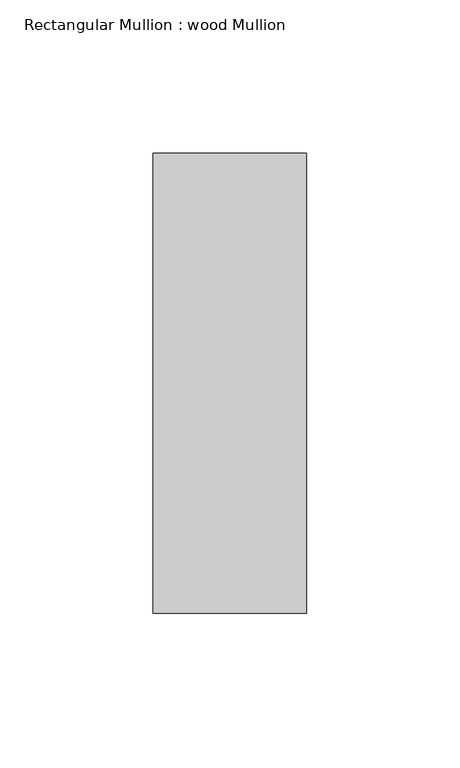
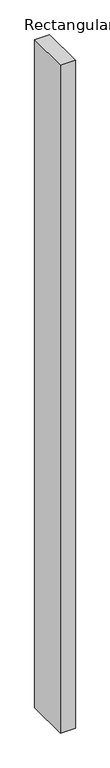
"""IFC4 building model written with IfcOpenShell, lengths in millimetres: member geometry, Rectangular Mullion : wood Mullion."""

from ifc_helpers import new_model, si_unit, frame, origin, place, context, project, spatial, polyline, outline, extrude, source, transform, mapped, element, save


def rectangular_mullion_wood_mullion_712f8895(model_context):
    return source(origin(), model_context, "Body", "SweptSolid", [
        extrude(outline(polyline([(25.0, 75.0), (25.0, -75.0), (-25.0, -75.0), (-25.0, 75.0), (25.0, 75.0)])), frame((0.0, 0.0, -2375.0), z_axis=(0.0, 0.0, 1.0), x_axis=(1.0, 0.0, 0.0)), (0.0, 0.0, 1.0), 2375.0),
    ])


if __name__ == "__main__":
    model = new_model("IFC4")
    model_context = context("Model", 3, world=origin())
    ifc_project = project(units=[si_unit("LENGTHUNIT", "METRE", prefix="MILLI")], contexts=[model_context])
    site = spatial("IfcSite", under=ifc_project)
    building = spatial("IfcBuilding", under=site)
    placement = place(None, origin())
    rectangular_mullion_wood_mullion_shape = rectangular_mullion_wood_mullion_712f8895(model_context)
    element("IfcMember", 1, ObjectType="Rectangular Mullion : wood Mullion", at=placement, inside=building, context=model_context, shape_type="MappedRepresentation", body=[
        mapped(rectangular_mullion_wood_mullion_shape, transform((0.0, 0.0, 0.0), x_axis=(1.0, 0.0, 0.0), y_axis=(0.0, 1.0, 0.0), z_axis=(0.0, 0.0, 1.0))),
    ])
    save(model, "model.ifc")
